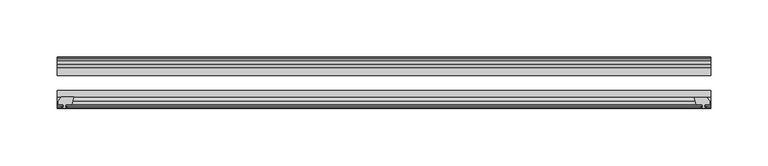
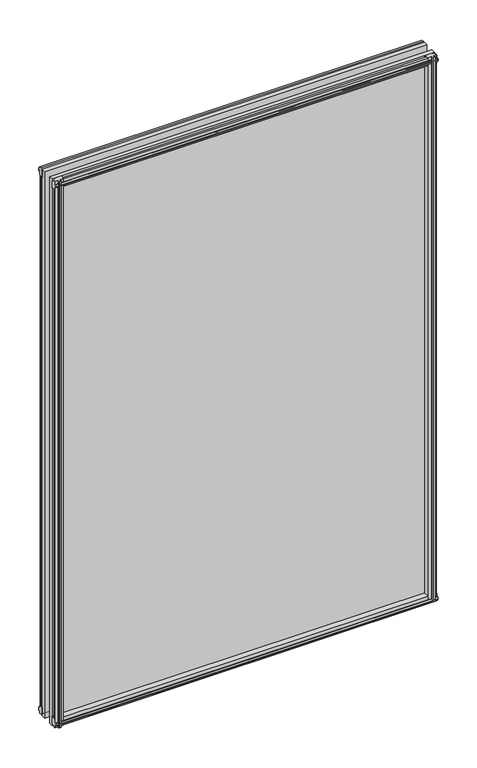
"""IFC4 building model written with IfcOpenShell, lengths in millimetres: plate geometry."""

from ifc_helpers import new_model, si_unit, frame, origin, place, context, project, spatial, polyline, outline, extrude, source, transform, mapped, element, save


def plate_b274e57f(model_context):
    return source(origin(), model_context, "Body", "SweptSolid", [
        extrude(outline(polyline([(-271.3322819, -83.1453125), (-273.05, -89.4953125), (-278.257, -89.4953125), (-278.638, -91.8755095), (-277.2224709, -91.4155762), (-277.2224709, -92.2167904), (-279.4, -92.9243125), (-281.577529, -92.2167904), (-281.577529, -91.4155762), (-280.162, -91.8755095), (-280.543, -89.4953125), (-284.988, -89.4953125), (-284.988, -86.5489125), (-282.1536578, -83.1453125), (-271.3322819, -83.1453125)])), frame((0.0, 0.0, -12.4587), z_axis=(0.0, 0.0, 1.0), x_axis=(1.0, 0.0, 0.0)), (0.0, 0.0, 1.0), 863.1174012),
        extrude(outline(polyline([(271.3538926, -83.2252021), (282.1752685, -83.2252021), (285.0096107, -86.6288021), (285.0096107, -89.5752021), (280.5646107, -89.5752021), (280.1836107, -91.9553991), (281.5991397, -91.4954658), (281.5991397, -92.29668), (279.4216107, -93.0042021), (277.2440816, -92.29668), (277.2440816, -91.4954658), (278.6596107, -91.9553991), (278.2786107, -89.5752021), (273.0716107, -89.5752021), (271.3538926, -83.2252021)])), frame((0.0, 0.0, -9.0482291), z_axis=(0.0, 0.0, 1.0), x_axis=(1.0, 0.0, 0.0)), (0.0, 0.0, 1.0), 859.7069303),
        extrude(outline(polyline([(-280.6827, -49.0151155), (-282.098229, -49.4750488), (-282.098229, -48.6738346), (-279.9207, -47.9663125), (-277.7431709, -48.6738346), (-277.7431709, -49.4750488), (-279.1587, -49.0151155), (-278.7777, -51.3953125), (-273.5707, -51.3953125), (-271.8529819, -57.7453125), (-282.6743578, -57.7453125), (-285.5087, -54.3417125), (-285.5087, -51.3953125), (-281.0637, -51.3953125), (-280.6827, -49.0151155)])), frame((0.0, 0.0, -12.4587), z_axis=(0.0, 0.0, 1.0), x_axis=(1.0, 0.0, 0.0)), (0.0, 0.0, 1.0), 856.7674012),
        extrude(outline(polyline([(271.8529819, -57.7453125), (273.5707, -51.3953125), (278.7777, -51.3953125), (279.1587, -49.0151155), (277.7431709, -49.4750488), (277.7431709, -48.6738346), (279.9207, -47.9663125), (282.098229, -48.6738346), (282.098229, -49.4750488), (280.6827, -49.0151155), (281.0637, -51.3953125), (285.5087, -51.3953125), (285.5087, -54.3417125), (282.6743578, -57.7453125), (271.8529819, -57.7453125)])), frame((0.0, 0.0, -12.4587), z_axis=(0.0, 0.0, 1.0), x_axis=(1.0, 0.0, 0.0)), (0.0, 0.0, 1.0), 856.7674012),
        extrude(outline(polyline([(-48.6738346, -4.6931709), (-47.9663125, -6.8707), (-48.6738346, -9.0482291), (-49.4750488, -9.0482291), (-49.0151155, -7.6327), (-51.3953125, -8.0137), (-51.3953125, -12.4587), (-54.3417125, -12.4587), (-57.7453125, -9.6243578), (-57.7453125, 1.1970181), (-51.3953125, -0.5207), (-51.3953125, -5.7277), (-49.0151155, -6.1087), (-49.4750488, -4.6931709), (-48.6738346, -4.6931709)])), frame((-285.75, 0.0, 0.0), z_axis=(1.0, 0.0, 0.0), x_axis=(0.0, 1.0, 0.0)), (0.0, 0.0, 1.0), 571.5),
        extrude(outline(polyline([(-83.1453125, 1.7177181), (-83.1453125, -9.1036578), (-86.5489125, -11.938), (-89.4953125, -11.938), (-89.4953125, -7.493), (-91.8755095, -7.112), (-91.4155762, -8.5275291), (-92.2167904, -8.5275291), (-92.9243125, -6.35), (-92.2167904, -4.1724709), (-91.4155762, -4.1724709), (-91.8755095, -5.588), (-89.4953125, -5.207), (-89.4953125, 0.0), (-83.1453125, 1.7177181)])), frame((-285.75, 0.0, 0.0), z_axis=(1.0, 0.0, 0.0), x_axis=(0.0, 1.0, 0.0)), (0.0, 0.0, 1.0), 571.5),
        extrude(outline(polyline([(-49.0151155, 845.8327012), (-49.4750488, 847.2482303), (-48.6738346, 847.2482303), (-47.9663125, 845.0707012), (-48.6738346, 842.8931722), (-49.4750488, 842.8931722), (-49.0151155, 844.3087012), (-51.3953125, 843.9277012), (-51.3953125, 838.7207012), (-57.7453125, 837.0029831), (-57.7453125, 847.824359), (-54.3417125, 850.6587012), (-51.3953125, 850.6587012), (-51.3953125, 846.2137012), (-49.0151155, 845.8327012)])), frame((-285.75, 0.0, 0.0), z_axis=(1.0, 0.0, 0.0), x_axis=(0.0, 1.0, 0.0)), (0.0, 0.0, 1.0), 571.5),
        extrude(outline(polyline([(-89.4953125, 850.1380012), (-86.5489125, 850.1380012), (-83.1453125, 847.303659), (-83.1453125, 836.4822831), (-89.4953125, 838.2000012), (-89.4953125, 843.4070012), (-91.8755095, 843.7880012), (-91.4155762, 842.3724722), (-92.2167904, 842.3724722), (-92.9243125, 844.5500012), (-92.2167904, 846.7275303), (-91.4155762, 846.7275303), (-91.8755095, 845.3120012), (-89.4953125, 845.6930012), (-89.4953125, 850.1380012)])), frame((-285.75, 0.0, 0.0), z_axis=(1.0, 0.0, 0.0), x_axis=(0.0, 1.0, 0.0)), (0.0, 0.0, 1.0), 571.5),
        extrude(outline(polyline([(-285.75, -57.7453125), (285.75, -57.7453125), (285.75, -64.0953125), (-285.75, -64.0953125), (-285.75, -57.7453125)])), frame((0.0, 0.0, -12.7), z_axis=(0.0, 0.0, 1.0), x_axis=(1.0, 0.0, 0.0)), (0.0, 0.0, 1.0), 863.6000012),
        extrude(outline(polyline([(-285.75, -77.1178925), (285.75, -77.1178925), (285.75, -83.1453125), (-285.75, -83.1453125), (-285.75, -77.1178925)])), frame((0.0, 0.0, -12.7), z_axis=(0.0, 0.0, 1.0), x_axis=(1.0, 0.0, 0.0)), (0.0, 0.0, 1.0), 863.6000012),
    ])


if __name__ == "__main__":
    model = new_model("IFC4")
    model_context = context("Model", 3, world=origin())
    ifc_project = project(units=[si_unit("LENGTHUNIT", "METRE", prefix="MILLI")], contexts=[model_context])
    site = spatial("IfcSite", under=ifc_project)
    building = spatial("IfcBuilding", under=site)
    placement = place(None, origin())
    plate_shape = plate_b274e57f(model_context)
    element("IfcPlate", 1, at=placement, inside=building, context=model_context, shape_type="MappedRepresentation", body=[
        mapped(plate_shape, transform((0.0, 0.0, 0.0), x_axis=(1.0, 0.0, 0.0), y_axis=(0.0, 1.0, 0.0), z_axis=(0.0, 0.0, 1.0))),
    ])
    save(model, "model.ifc")
